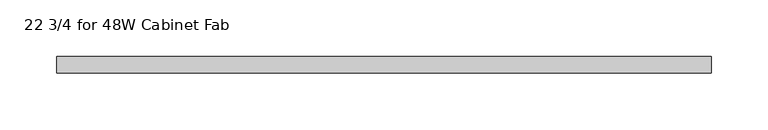
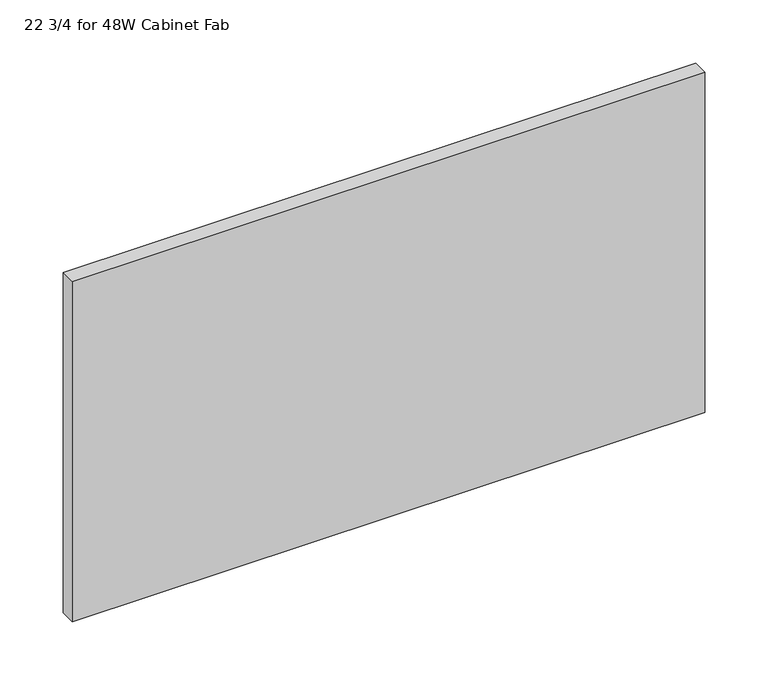
"""IFC4 building model written with IfcOpenShell, lengths in millimetres: furniture geometry, 22 3/4 for 48W Cabinet Fab."""

import ifcopenshell
import ifcopenshell.guid

model = None  # the IFC model being written
_history = None  # IfcOwnerHistory: only IFC2X3 demands one
_inside = {}  # id of a spatial element -> (the spatial element, [elements in it])
_under = {}  # id of a project, library or spatial element -> (it, [spatial elements below it])
_declared = {}  # id of a project -> (the project, [libraries it declares])
_typed = {}  # id of a type object -> (the type object, [elements of that type])
_made_of = {}  # id of a material, layer set ... -> (it, [elements and type objects made of it])


def new_model(schema):
    """Start an empty IFC model of exactly this schema.

    Asked for "IFC4X3", IfcOpenShell would pick the latest addendum, in which some entities
    have other attributes; the version numbers below select the first issue.
    IFC2X3 requires an IfcOwnerHistory on every rooted entity: one is made here for all.
    """
    global model, _history
    if schema == "IFC4X3":
        model = ifcopenshell.file(schema_version=(4, 3, 0, 0))
    else:
        model = ifcopenshell.file(schema=schema)
    _inside.clear()
    _under.clear()
    _declared.clear()
    _typed.clear()
    _made_of.clear()
    _history = None
    if model.schema == "IFC2X3":
        org = make("IfcOrganization", Name="unknown")
        user = make(
            "IfcPersonAndOrganization",
            ThePerson=make("IfcPerson", FamilyName="unknown"),
            TheOrganization=org,
        )
        app = make(
            "IfcApplication",
            ApplicationDeveloper=org,
            Version="unknown",
            ApplicationFullName="unknown",
            ApplicationIdentifier="unknown",
        )
        _history = make(
            "IfcOwnerHistory",
            OwningUser=user,
            OwningApplication=app,
            ChangeAction="ADDED",
            CreationDate=0,
        )
    return model


def make(cls, **values):
    """One entity of the class cls with the attributes given. An attribute that is None is left unset."""
    return model.create_entity(
        cls, **{name: value for name, value in values.items() if value is not None}
    )


def rooted(cls, **values):
    """An entity with a GlobalId (a new one), such as an element, a storey or a relation."""
    return make(cls, GlobalId=ifcopenshell.guid.new(), OwnerHistory=_history, **values)


def si_unit(unit_type, name, prefix=None):
    """IfcSIUnit, for example si_unit("LENGTHUNIT", "METRE", prefix="MILLI")."""
    return make("IfcSIUnit", UnitType=unit_type, Prefix=prefix, Name=name)


def assignment(units):
    """IfcUnitAssignment: the units of a project."""
    return None if units is None else make("IfcUnitAssignment", Units=units)


def point(xyz):
    """IfcCartesianPoint."""
    return None if xyz is None else make("IfcCartesianPoint", Coordinates=xyz)


def direction(xyz):
    """IfcDirection."""
    return None if xyz is None else make("IfcDirection", DirectionRatios=xyz)


def frame(location, z_axis=None, x_axis=None):
    """IfcAxis2Placement3D, a coordinate frame: its origin and axes. An axis left out is left unset."""
    return make(
        "IfcAxis2Placement3D",
        Location=point(location),
        Axis=direction(z_axis),
        RefDirection=direction(x_axis),
    )


def origin():
    """The frame at (0, 0, 0) with its axes left unset."""
    return frame((0.0, 0.0, 0.0))


def place(relative_to, where):
    """IfcLocalPlacement: puts the frame where relative to a parent placement (None: the world)."""
    return make(
        "IfcLocalPlacement", PlacementRelTo=relative_to, RelativePlacement=where
    )


def context(
    kind, dimensions, precision=None, world=None, true_north=None, identifier=None
):
    """IfcGeometricRepresentationContext, for example the 3D "Model" context."""
    return make(
        "IfcGeometricRepresentationContext",
        ContextIdentifier=identifier,
        ContextType=kind,
        CoordinateSpaceDimension=dimensions,
        Precision=precision,
        WorldCoordinateSystem=world,
        TrueNorth=true_north,
    )


def project(units=None, contexts=None):
    """IfcProject with its units and contexts."""
    return rooted(
        "IfcProject",
        Name="project",
        RepresentationContexts=contexts,
        UnitsInContext=assignment(units),
    )


def spatial(cls, under=None, at=None, **own):
    """A site, building, storey or space (cls), placed at a placement, below another one or the project."""
    s = rooted(cls, ObjectPlacement=at, **own)
    if under is not None:
        _under.setdefault(under.id(), (under, []))[1].append(s)
    return s


def polyline(points):
    """IfcPolyline through the points."""
    return make("IfcPolyline", Points=[point(p) for p in points])


def outline(outer, holes=None, kind="AREA"):
    """IfcArbitraryClosedProfileDef: a profile drawn as a closed curve; with holes, ...WithVoids."""
    if holes is None:
        return make("IfcArbitraryClosedProfileDef", ProfileType=kind, OuterCurve=outer)
    return make(
        "IfcArbitraryProfileDefWithVoids",
        ProfileType=kind,
        OuterCurve=outer,
        InnerCurves=holes,
    )


def extrude(swept, where, along, depth):
    """IfcExtrudedAreaSolid: the profile swept, set in the frame where, extruded along a direction by depth."""
    return make(
        "IfcExtrudedAreaSolid",
        SweptArea=swept,
        Position=where,
        ExtrudedDirection=direction(along),
        Depth=depth,
    )


def shape(context_of_items, identifier, shape_type, items):
    """IfcShapeRepresentation: the items that make up one representation, for example the "Body"."""
    return make(
        "IfcShapeRepresentation",
        ContextOfItems=context_of_items,
        RepresentationIdentifier=identifier,
        RepresentationType=shape_type,
        Items=items,
    )


def source(mapping_origin, context_of_items, identifier, shape_type, items):
    """IfcRepresentationMap: a shape defined once, which mapped items show again and again."""
    return make(
        "IfcRepresentationMap",
        MappingOrigin=mapping_origin,
        MappedRepresentation=shape(context_of_items, identifier, shape_type, items),
    )


def transform(
    local_origin,
    x_axis=None,
    y_axis=None,
    z_axis=None,
    scale=None,
    scale2=None,
    scale3=None,
    uniform=True,
):
    """IfcCartesianTransformationOperator3D, or its non-uniform kind. x_axis, y_axis, z_axis: its Axis1, 2, 3."""
    if uniform:
        return make(
            "IfcCartesianTransformationOperator3D",
            Axis1=direction(x_axis),
            Axis2=direction(y_axis),
            LocalOrigin=point(local_origin),
            Scale=scale,
            Axis3=direction(z_axis),
        )
    return make(
        "IfcCartesianTransformationOperator3DnonUniform",
        Axis1=direction(x_axis),
        Axis2=direction(y_axis),
        LocalOrigin=point(local_origin),
        Scale=scale,
        Axis3=direction(z_axis),
        Scale2=scale2,
        Scale3=scale3,
    )


def mapped(mapping_source, mapping_target):
    """IfcMappedItem: shows the shape of a source again, moved by a transform."""
    return make(
        "IfcMappedItem", MappingSource=mapping_source, MappingTarget=mapping_target
    )


def made_of(thing, what):
    """Note that an element or type object is made of a material, layer set ...; save() writes the relation."""
    if what is not None:
        _made_of.setdefault(what.id(), (what, []))[1].append(thing)
    return thing


def element(
    cls,
    number,
    at=None,
    inside=None,
    cuts=None,
    type_object=None,
    material=None,
    context=None,
    identifier="Body",
    shape_type=None,
    held_by="IfcProductDefinitionShape",
    body=None,
    shapes=None,
    **own,
):
    """One element of the class cls, such as IfcWall. Its Tag is "e" and its number.

    at: its placement. inside: the storey or other place that contains it. cuts: it is an
    opening in that element (IfcRelVoidsElement). A single representation is given by context,
    identifier, shape_type and body (its items); several are given by shapes. held_by: the class
    of the entity that holds the representations. save() writes the other relations.
    """
    e = rooted(cls, Tag="e%d" % number, ObjectPlacement=at, **own)
    if body is not None:
        shapes = [shape(context, identifier, shape_type, body)]
    if shapes is not None:
        e.Representation = make(held_by, Representations=shapes)
    if inside is not None:
        _inside.setdefault(inside.id(), (inside, []))[1].append(e)
    if cuts is not None:
        rooted(
            "IfcRelVoidsElement", RelatingBuildingElement=cuts, RelatedOpeningElement=e
        )
    if type_object is not None:
        _typed.setdefault(type_object.id(), (type_object, []))[1].append(e)
    return made_of(e, material)


def aggregate(whole, parts):
    """IfcRelAggregates: a whole, such as a stair, and the parts it consists of."""
    return rooted("IfcRelAggregates", RelatingObject=whole, RelatedObjects=parts)


def save(model, path):
    """Write the relations noted so far, then the file.

    IfcRelAggregates (storeys below a building ...), IfcRelContainedInSpatialStructure (elements
    in a storey), IfcRelDefinesByType, IfcRelAssociatesMaterial and IfcRelDeclares: one each for
    every whole, place, type object, material and project.
    """
    for whole, parts in _under.values():
        aggregate(whole, parts)
    for where, things in _inside.values():
        rooted(
            "IfcRelContainedInSpatialStructure",
            RelatedElements=things,
            RelatingStructure=where,
        )
    for kind, things in _typed.values():
        rooted("IfcRelDefinesByType", RelatedObjects=things, RelatingType=kind)
    for what, things in _made_of.values():
        rooted("IfcRelAssociatesMaterial", RelatedObjects=things, RelatingMaterial=what)
    for by, libraries in _declared.values():
        rooted("IfcRelDeclares", RelatingContext=by, RelatedDefinitions=libraries)
    model.write(path)


def furniture_22_3_4_for_48w_cabinet_fab_6992746e(model_context):
    return source(origin(), model_context, "Body", "SweptSolid", [
        extrude(outline(polyline([(288.925, -33.8601849), (288.925, -48.5445599), (-288.925, -48.5445599), (-288.925, -33.8601849), (288.925, -33.8601849)])), frame((0.0, 0.0, 1181.1), z_axis=(0.0, 0.0, 1.0), x_axis=(1.0, 0.0, 0.0)), (0.0, 0.0, 1.0), 328.9101562),
    ])


if __name__ == "__main__":
    model = new_model("IFC4")
    model_context = context("Model", 3, world=origin())
    ifc_project = project(units=[si_unit("LENGTHUNIT", "METRE", prefix="MILLI")], contexts=[model_context])
    site = spatial("IfcSite", under=ifc_project)
    building = spatial("IfcBuilding", under=site)
    placement = place(None, origin())
    furniture_22_3_4_for_48w_cabinet_fab_shape = furniture_22_3_4_for_48w_cabinet_fab_6992746e(model_context)
    element("IfcFurniture", 1, ObjectType="22 3/4 for 48W Cabinet Fab", at=placement, inside=building, context=model_context, shape_type="MappedRepresentation", body=[
        mapped(furniture_22_3_4_for_48w_cabinet_fab_shape, transform((0.0, 0.0, 0.0), x_axis=(1.0, 0.0, 0.0), y_axis=(0.0, 1.0, 0.0), z_axis=(0.0, 0.0, 1.0))),
    ])
    save(model, "model.ifc")
